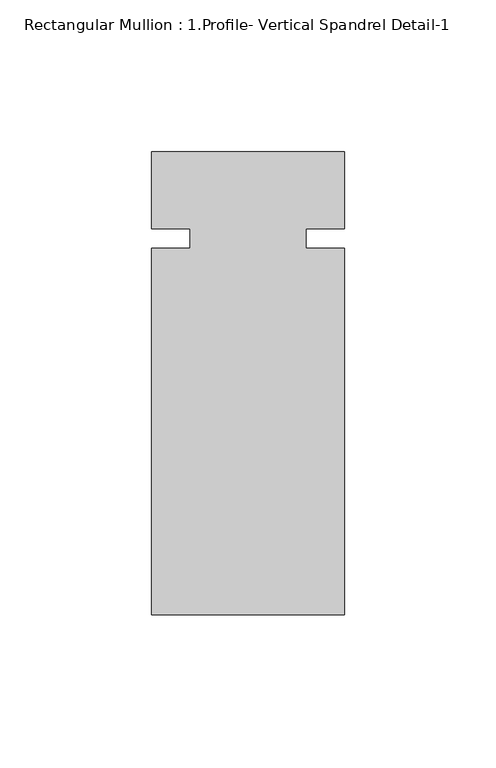
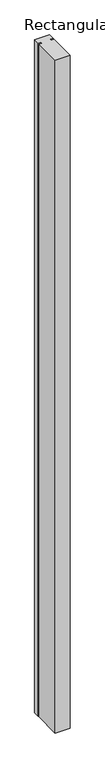
"""IFC4 building model written with IfcOpenShell, lengths in millimetres: member geometry, Rectangular Mullion : 1.Profile- Vertical Spandrel Detail-1."""

from ifc_helpers import new_model, si_unit, frame, origin, place, context, project, spatial, polyline, outline, extrude, source, transform, mapped, element, save


def rectangular_mullion_1_profile_vertical_spandrel_detail_1_b7cd799f(model_context):
    return source(origin(), model_context, "Body", "SweptSolid", [
        extrude(outline(polyline([(-63.5, 57.5873376), (-50.8127, 57.5873376), (-50.8127, 63.9311126), (-63.5, 63.9311126), (-63.5, 89.3311126), (0.0, 89.3311126), (0.0, 63.9311126), (-12.6873, 63.9311126), (-12.6873, 57.5811126), (0.0, 57.5811126), (0.0, -63.0688874), (-63.5, -63.0688874), (-63.5, 57.5873376)])), frame((0.0, 0.0, -3048.0), z_axis=(0.0, 0.0, 1.0), x_axis=(1.0, 0.0, 0.0)), (0.0, 0.0, 1.0), 3048.0),
    ])


if __name__ == "__main__":
    model = new_model("IFC4")
    model_context = context("Model", 3, world=origin())
    ifc_project = project(units=[si_unit("LENGTHUNIT", "METRE", prefix="MILLI")], contexts=[model_context])
    site = spatial("IfcSite", under=ifc_project)
    building = spatial("IfcBuilding", under=site)
    placement = place(None, origin())
    rectangular_mullion_1_profile_vertical_spandrel_detail_1_shape = rectangular_mullion_1_profile_vertical_spandrel_detail_1_b7cd799f(model_context)
    element("IfcMember", 1, ObjectType="Rectangular Mullion : 1.Profile- Vertical Spandrel Detail-1", at=placement, inside=building, context=model_context, shape_type="MappedRepresentation", body=[
        mapped(rectangular_mullion_1_profile_vertical_spandrel_detail_1_shape, transform((0.0, 0.0, 0.0), x_axis=(1.0, 0.0, 0.0), y_axis=(0.0, 1.0, 0.0), z_axis=(0.0, 0.0, 1.0))),
    ])
    save(model, "model.ifc")
